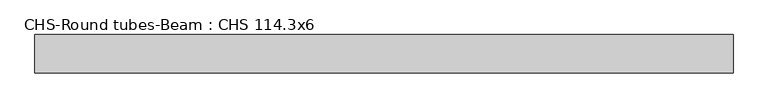
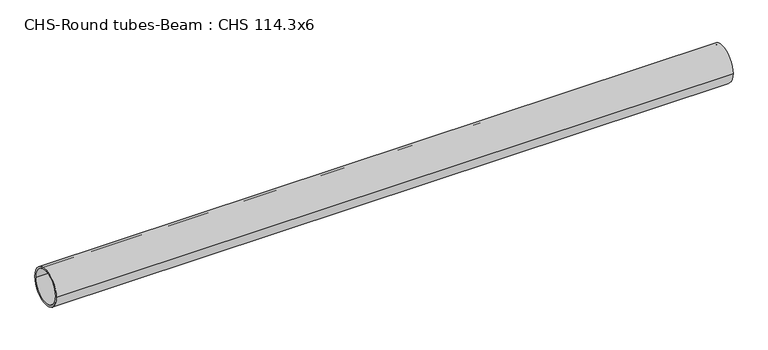
"""IFC4 building model written with IfcOpenShell, lengths in millimetres: beam geometry, CHS-Round tubes-Beam : CHS 114.3x6."""

from ifc_helpers import new_model, si_unit, point, frame, origin, origin_2d, place, context, project, spatial, circle_curve, trimmed, segment, composite_curve, outline, extrude, source, transform, mapped, element, save


def chs_round_tubes_beam_chs_114_3x6_d4570e0c(model_context):
    return source(origin(), model_context, "Body", "SweptSolid", [
        extrude(outline(composite_curve([segment(trimmed(circle_curve(origin_2d(), 57.15), [point((57.15, 0.0))], [point((-57.15, 0.0))], False, "CARTESIAN"), True, "CONTINUOUS"), segment(trimmed(circle_curve(origin_2d(), 57.15), [point((-57.15, 0.0))], [point((57.15, 0.0))], False, "CARTESIAN"), True, "CONTINUOUS")], self_intersect=False), holes=[composite_curve([segment(trimmed(circle_curve(origin_2d(), 51.15), [point((51.15, 0.0))], [point((-51.15, 0.0))], True, "CARTESIAN"), True, "CONTINUOUS"), segment(trimmed(circle_curve(origin_2d(), 51.15), [point((-51.15, 0.0))], [point((51.15, 0.0))], True, "CARTESIAN"), True, "CONTINUOUS")], self_intersect=False)]), frame((-1035.1999221, 0.0, 0.0), z_axis=(1.0, 0.0, 0.0), x_axis=(0.0, 1.0, 0.0)), (0.0, 0.0, 1.0), 2088.5951076),
    ])


if __name__ == "__main__":
    model = new_model("IFC4")
    model_context = context("Model", 3, world=origin())
    ifc_project = project(units=[si_unit("LENGTHUNIT", "METRE", prefix="MILLI")], contexts=[model_context])
    site = spatial("IfcSite", under=ifc_project)
    building = spatial("IfcBuilding", under=site)
    placement = place(None, origin())
    chs_round_tubes_beam_chs_114_3x6_shape = chs_round_tubes_beam_chs_114_3x6_d4570e0c(model_context)
    element("IfcBeam", 1, ObjectType="CHS-Round tubes-Beam : CHS 114.3x6", at=placement, inside=building, context=model_context, shape_type="MappedRepresentation", body=[
        mapped(chs_round_tubes_beam_chs_114_3x6_shape, transform((0.0, 0.0, 0.0), x_axis=(1.0, 0.0, 0.0), y_axis=(0.0, 1.0, 0.0), z_axis=(0.0, 0.0, 1.0))),
    ])
    save(model, "model.ifc")
